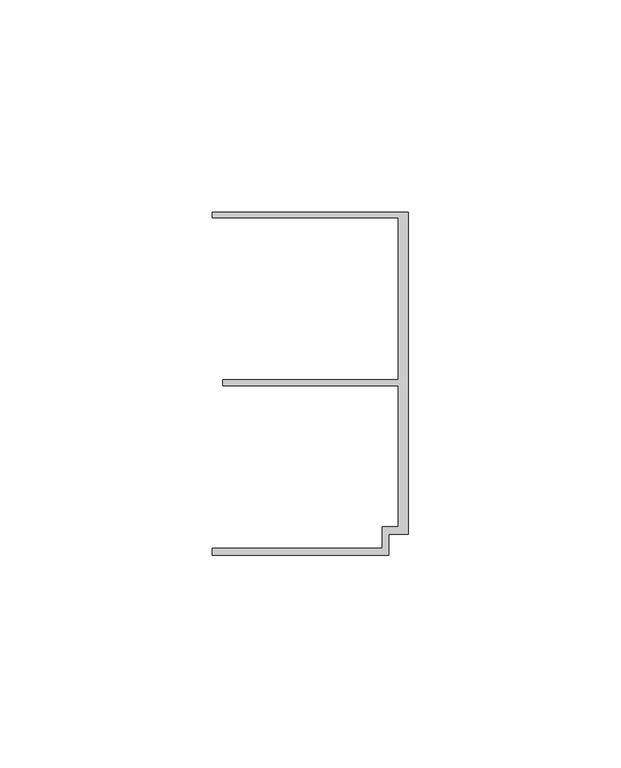
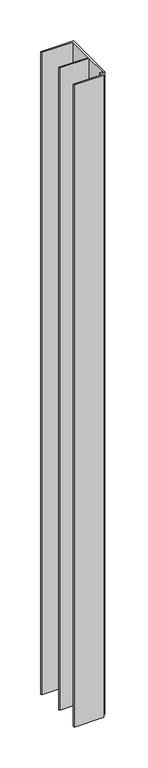
"""IFC4 building model written with IfcOpenShell, lengths in millimetres: member geometry."""

import ifcopenshell
import ifcopenshell.guid

model = None  # the IFC model being written
_history = None  # IfcOwnerHistory: only IFC2X3 demands one
_inside = {}  # id of a spatial element -> (the spatial element, [elements in it])
_under = {}  # id of a project, library or spatial element -> (it, [spatial elements below it])
_declared = {}  # id of a project -> (the project, [libraries it declares])
_typed = {}  # id of a type object -> (the type object, [elements of that type])
_made_of = {}  # id of a material, layer set ... -> (it, [elements and type objects made of it])


def new_model(schema):
    """Start an empty IFC model of exactly this schema.

    Asked for "IFC4X3", IfcOpenShell would pick the latest addendum, in which some entities
    have other attributes; the version numbers below select the first issue.
    IFC2X3 requires an IfcOwnerHistory on every rooted entity: one is made here for all.
    """
    global model, _history
    if schema == "IFC4X3":
        model = ifcopenshell.file(schema_version=(4, 3, 0, 0))
    else:
        model = ifcopenshell.file(schema=schema)
    _inside.clear()
    _under.clear()
    _declared.clear()
    _typed.clear()
    _made_of.clear()
    _history = None
    if model.schema == "IFC2X3":
        org = make("IfcOrganization", Name="unknown")
        user = make(
            "IfcPersonAndOrganization",
            ThePerson=make("IfcPerson", FamilyName="unknown"),
            TheOrganization=org,
        )
        app = make(
            "IfcApplication",
            ApplicationDeveloper=org,
            Version="unknown",
            ApplicationFullName="unknown",
            ApplicationIdentifier="unknown",
        )
        _history = make(
            "IfcOwnerHistory",
            OwningUser=user,
            OwningApplication=app,
            ChangeAction="ADDED",
            CreationDate=0,
        )
    return model


def make(cls, **values):
    """One entity of the class cls with the attributes given. An attribute that is None is left unset."""
    return model.create_entity(
        cls, **{name: value for name, value in values.items() if value is not None}
    )


def rooted(cls, **values):
    """An entity with a GlobalId (a new one), such as an element, a storey or a relation."""
    return make(cls, GlobalId=ifcopenshell.guid.new(), OwnerHistory=_history, **values)


def si_unit(unit_type, name, prefix=None):
    """IfcSIUnit, for example si_unit("LENGTHUNIT", "METRE", prefix="MILLI")."""
    return make("IfcSIUnit", UnitType=unit_type, Prefix=prefix, Name=name)


def assignment(units):
    """IfcUnitAssignment: the units of a project."""
    return None if units is None else make("IfcUnitAssignment", Units=units)


def point(xyz):
    """IfcCartesianPoint."""
    return None if xyz is None else make("IfcCartesianPoint", Coordinates=xyz)


def direction(xyz):
    """IfcDirection."""
    return None if xyz is None else make("IfcDirection", DirectionRatios=xyz)


def frame(location, z_axis=None, x_axis=None):
    """IfcAxis2Placement3D, a coordinate frame: its origin and axes. An axis left out is left unset."""
    return make(
        "IfcAxis2Placement3D",
        Location=point(location),
        Axis=direction(z_axis),
        RefDirection=direction(x_axis),
    )


def origin():
    """The frame at (0, 0, 0) with its axes left unset."""
    return frame((0.0, 0.0, 0.0))


def place(relative_to, where):
    """IfcLocalPlacement: puts the frame where relative to a parent placement (None: the world)."""
    return make(
        "IfcLocalPlacement", PlacementRelTo=relative_to, RelativePlacement=where
    )


def context(
    kind, dimensions, precision=None, world=None, true_north=None, identifier=None
):
    """IfcGeometricRepresentationContext, for example the 3D "Model" context."""
    return make(
        "IfcGeometricRepresentationContext",
        ContextIdentifier=identifier,
        ContextType=kind,
        CoordinateSpaceDimension=dimensions,
        Precision=precision,
        WorldCoordinateSystem=world,
        TrueNorth=true_north,
    )


def project(units=None, contexts=None):
    """IfcProject with its units and contexts."""
    return rooted(
        "IfcProject",
        Name="project",
        RepresentationContexts=contexts,
        UnitsInContext=assignment(units),
    )


def spatial(cls, under=None, at=None, **own):
    """A site, building, storey or space (cls), placed at a placement, below another one or the project."""
    s = rooted(cls, ObjectPlacement=at, **own)
    if under is not None:
        _under.setdefault(under.id(), (under, []))[1].append(s)
    return s


def polyline(points):
    """IfcPolyline through the points."""
    return make("IfcPolyline", Points=[point(p) for p in points])


def outline(outer, holes=None, kind="AREA"):
    """IfcArbitraryClosedProfileDef: a profile drawn as a closed curve; with holes, ...WithVoids."""
    if holes is None:
        return make("IfcArbitraryClosedProfileDef", ProfileType=kind, OuterCurve=outer)
    return make(
        "IfcArbitraryProfileDefWithVoids",
        ProfileType=kind,
        OuterCurve=outer,
        InnerCurves=holes,
    )


def extrude(swept, where, along, depth):
    """IfcExtrudedAreaSolid: the profile swept, set in the frame where, extruded along a direction by depth."""
    return make(
        "IfcExtrudedAreaSolid",
        SweptArea=swept,
        Position=where,
        ExtrudedDirection=direction(along),
        Depth=depth,
    )


def shape(context_of_items, identifier, shape_type, items):
    """IfcShapeRepresentation: the items that make up one representation, for example the "Body"."""
    return make(
        "IfcShapeRepresentation",
        ContextOfItems=context_of_items,
        RepresentationIdentifier=identifier,
        RepresentationType=shape_type,
        Items=items,
    )


def source(mapping_origin, context_of_items, identifier, shape_type, items):
    """IfcRepresentationMap: a shape defined once, which mapped items show again and again."""
    return make(
        "IfcRepresentationMap",
        MappingOrigin=mapping_origin,
        MappedRepresentation=shape(context_of_items, identifier, shape_type, items),
    )


def transform(
    local_origin,
    x_axis=None,
    y_axis=None,
    z_axis=None,
    scale=None,
    scale2=None,
    scale3=None,
    uniform=True,
):
    """IfcCartesianTransformationOperator3D, or its non-uniform kind. x_axis, y_axis, z_axis: its Axis1, 2, 3."""
    if uniform:
        return make(
            "IfcCartesianTransformationOperator3D",
            Axis1=direction(x_axis),
            Axis2=direction(y_axis),
            LocalOrigin=point(local_origin),
            Scale=scale,
            Axis3=direction(z_axis),
        )
    return make(
        "IfcCartesianTransformationOperator3DnonUniform",
        Axis1=direction(x_axis),
        Axis2=direction(y_axis),
        LocalOrigin=point(local_origin),
        Scale=scale,
        Axis3=direction(z_axis),
        Scale2=scale2,
        Scale3=scale3,
    )


def mapped(mapping_source, mapping_target):
    """IfcMappedItem: shows the shape of a source again, moved by a transform."""
    return make(
        "IfcMappedItem", MappingSource=mapping_source, MappingTarget=mapping_target
    )


def made_of(thing, what):
    """Note that an element or type object is made of a material, layer set ...; save() writes the relation."""
    if what is not None:
        _made_of.setdefault(what.id(), (what, []))[1].append(thing)
    return thing


def element(
    cls,
    number,
    at=None,
    inside=None,
    cuts=None,
    type_object=None,
    material=None,
    context=None,
    identifier="Body",
    shape_type=None,
    held_by="IfcProductDefinitionShape",
    body=None,
    shapes=None,
    **own,
):
    """One element of the class cls, such as IfcWall. Its Tag is "e" and its number.

    at: its placement. inside: the storey or other place that contains it. cuts: it is an
    opening in that element (IfcRelVoidsElement). A single representation is given by context,
    identifier, shape_type and body (its items); several are given by shapes. held_by: the class
    of the entity that holds the representations. save() writes the other relations.
    """
    e = rooted(cls, Tag="e%d" % number, ObjectPlacement=at, **own)
    if body is not None:
        shapes = [shape(context, identifier, shape_type, body)]
    if shapes is not None:
        e.Representation = make(held_by, Representations=shapes)
    if inside is not None:
        _inside.setdefault(inside.id(), (inside, []))[1].append(e)
    if cuts is not None:
        rooted(
            "IfcRelVoidsElement", RelatingBuildingElement=cuts, RelatedOpeningElement=e
        )
    if type_object is not None:
        _typed.setdefault(type_object.id(), (type_object, []))[1].append(e)
    return made_of(e, material)


def aggregate(whole, parts):
    """IfcRelAggregates: a whole, such as a stair, and the parts it consists of."""
    return rooted("IfcRelAggregates", RelatingObject=whole, RelatedObjects=parts)


def save(model, path):
    """Write the relations noted so far, then the file.

    IfcRelAggregates (storeys below a building ...), IfcRelContainedInSpatialStructure (elements
    in a storey), IfcRelDefinesByType, IfcRelAssociatesMaterial and IfcRelDeclares: one each for
    every whole, place, type object, material and project.
    """
    for whole, parts in _under.values():
        aggregate(whole, parts)
    for where, things in _inside.values():
        rooted(
            "IfcRelContainedInSpatialStructure",
            RelatedElements=things,
            RelatingStructure=where,
        )
    for kind, things in _typed.values():
        rooted("IfcRelDefinesByType", RelatedObjects=things, RelatingType=kind)
    for what, things in _made_of.values():
        rooted("IfcRelAssociatesMaterial", RelatedObjects=things, RelatingMaterial=what)
    for by, libraries in _declared.values():
        rooted("IfcRelDeclares", RelatingContext=by, RelatedDefinitions=libraries)
    model.write(path)


def member_5cf4fb81(model_context):
    return source(origin(), model_context, "Body", "SweptSolid", [
        extrude(outline(polyline([(-6.2, -33.95), (-2.4, -33.95), (-2.4, -0.75), (-43.8, -0.75), (-43.8, 0.75), (-2.4, 0.75), (-2.4, 38.95), (-46.3, 38.95), (-46.3, 40.25), (0.0, 40.25), (0.0, -35.75), (-4.6999992, -35.75), (-4.6999992, -40.65), (-46.3, -40.65), (-46.3, -38.95), (-6.2, -38.95), (-6.2, -33.95)])), frame((0.0, 0.0, -956.7594583), z_axis=(0.0, 0.0, 1.0), x_axis=(1.0, 0.0, 0.0)), (0.0, 0.0, 1.0), 956.7594583),
    ])


if __name__ == "__main__":
    model = new_model("IFC4")
    model_context = context("Model", 3, world=origin())
    ifc_project = project(units=[si_unit("LENGTHUNIT", "METRE", prefix="MILLI")], contexts=[model_context])
    site = spatial("IfcSite", under=ifc_project)
    building = spatial("IfcBuilding", under=site)
    placement = place(None, origin())
    member_shape = member_5cf4fb81(model_context)
    element("IfcMember", 1, at=placement, inside=building, context=model_context, shape_type="MappedRepresentation", body=[
        mapped(member_shape, transform((0.0, 0.0, 0.0), x_axis=(1.0, 0.0, 0.0), y_axis=(0.0, 1.0, 0.0), z_axis=(0.0, 0.0, 1.0))),
    ])
    save(model, "model.ifc")
